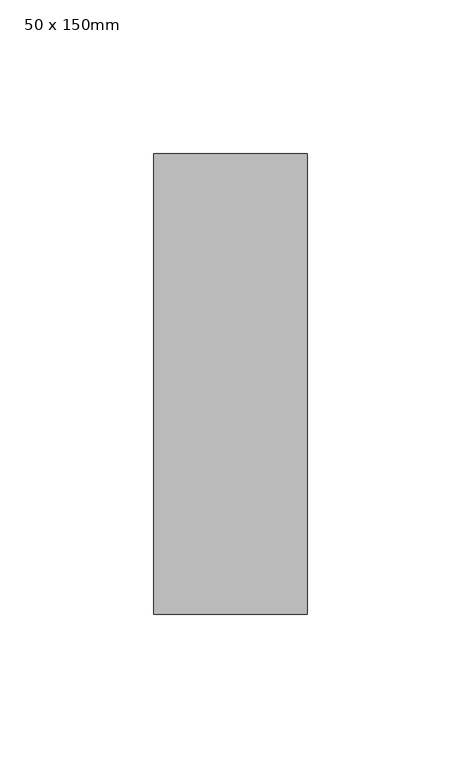
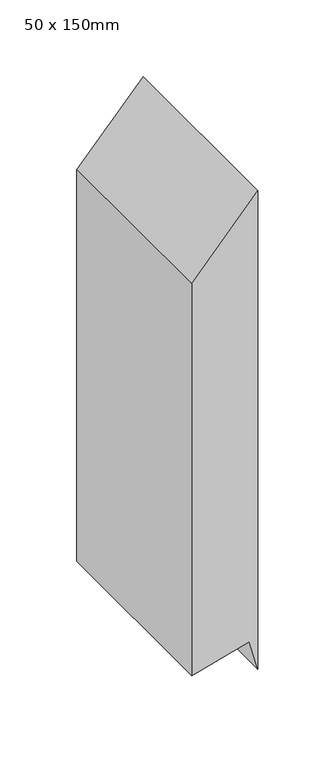
"""IFC4 building model written with IfcOpenShell, lengths in millimetres: member geometry, 50 x 150mm."""

from ifc_helpers import new_model, si_unit, frame, origin, place, context, project, spatial, polyline, outline, extrude, source, transform, mapped, element, save


def member_50_x_150mm_93a9b404(model_context):
    return source(origin(), model_context, "Body", "SweptSolid", [
        extrude(outline(polyline([(0.0, 0.0), (-56.45458, -50.0), (-368.5899041, -50.0), (-356.9262033, -6.4704761), (-381.074349, 0.0), (0.0, 0.0)])), frame((0.0, -75.0, 0.0), z_axis=(0.0, 1.0, 0.0), x_axis=(0.0, 0.0, 1.0)), (0.0, 0.0, 1.0), 150.0),
    ])


if __name__ == "__main__":
    model = new_model("IFC4")
    model_context = context("Model", 3, world=origin())
    ifc_project = project(units=[si_unit("LENGTHUNIT", "METRE", prefix="MILLI")], contexts=[model_context])
    site = spatial("IfcSite", under=ifc_project)
    building = spatial("IfcBuilding", under=site)
    placement = place(None, origin())
    member_50_x_150mm_shape = member_50_x_150mm_93a9b404(model_context)
    element("IfcMember", 1, ObjectType="50 x 150mm", at=placement, inside=building, context=model_context, shape_type="MappedRepresentation", body=[
        mapped(member_50_x_150mm_shape, transform((0.0, 0.0, 0.0), x_axis=(1.0, 0.0, 0.0), y_axis=(0.0, 1.0, 0.0), z_axis=(0.0, 0.0, 1.0))),
    ])
    save(model, "model.ifc")
